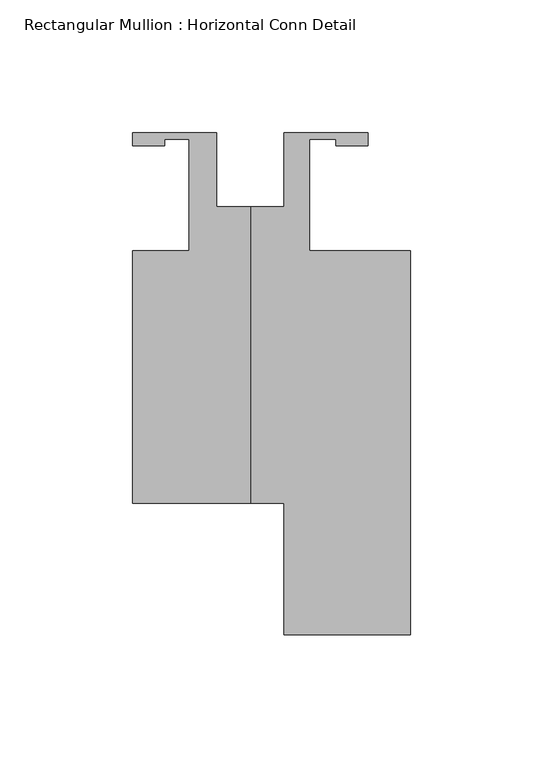
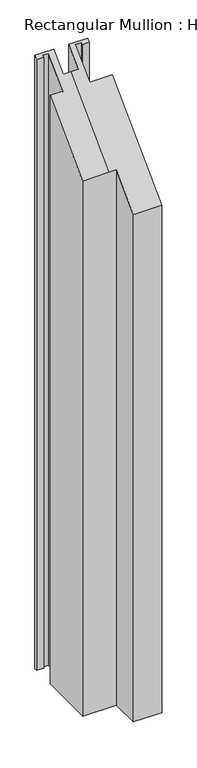
"""IFC4 building model written with IfcOpenShell, lengths in millimetres: member geometry, Rectangular Mullion : Horizontal Conn Detail."""

from ifc_helpers import new_model, si_unit, origin, place, context, project, spatial, faceted_brep, source, transform, mapped, element, save


def rectangular_mullion_horizontal_conn_detail_0b1a0013(model_context):
    return source(origin(), model_context, "Body", "Brep", [
        faceted_brep([(-44.45, -19.05, -1073.3369265), (-23.1902, -19.05, -1073.3369265), (-23.1902, 22.9299069, -1073.3369265), (-32.3676573, 22.9299069, -1073.3369265), (-32.3676573, 20.5232, -1073.3369265), (-44.45, 20.5232, -1073.3369265), (-44.45, 25.4, -1073.3369265), (-12.7, 25.4, -1073.3369265), (-12.7, -2.54, -1073.3369265), (12.7, -2.54, -1073.3369265), (12.7, 25.4, -1073.3369265), (44.45, 25.4, -1073.3369265), (44.45, 20.5232, -1073.3369265), (32.3596, 20.5232, -1073.3369265), (32.3596, 22.86, -1073.3369265), (22.225, 22.86, -1073.3369265), (22.225, -19.05, -1073.3369265), (60.325, -19.05, -1073.3369265), (60.325, -163.9062, -1073.3369265), (12.7, -163.9062, -1073.3369265), (12.7, -114.3, -1073.3369265), (-44.45, -114.3, -1073.3369265), (-44.45, -114.3, -117.475), (-44.45, -19.05, -22.225), (12.7, -114.3, -117.475), (0.0, -114.3, -117.475), (12.7, -163.9062, -167.0812), (60.325, -163.9062, -167.0812), (60.325, -19.05, -22.225), (22.225, -19.05, -22.225), (22.225, 22.86, 19.685), (32.3596, 22.86, 19.685), (32.3596, 20.5232, 17.3482), (44.45, 20.5232, 17.3482), (44.45, 25.4, 22.225), (12.7, 25.4, 22.225), (12.7, -2.54, -5.715), (-12.7, -2.54, -5.715), (0.0, -2.54, -5.715), (-12.7, 25.4, 22.225), (-44.45, 25.4, 22.225), (-44.45, 20.5232, 17.3482), (-32.3676573, 20.5232, 17.3482), (-32.3676573, 22.9299069, 19.7549069), (-23.1902, 22.9299069, 19.7549069), (-23.1902, -19.05, -22.225)], [[[0, 1, 2, 3, 4, 5, 6, 7, 8, 9, 10, 11, 12, 13, 14, 15, 16, 17, 18, 19, 20, 21]], [[22, 23, 0, 21]], [[24, 25, 22, 21, 20]], [[26, 24, 20, 19]], [[27, 26, 19, 18]], [[28, 27, 18, 17]], [[29, 28, 17, 16]], [[30, 29, 16, 15]], [[31, 30, 15, 14]], [[32, 31, 14, 13]], [[33, 32, 13, 12]], [[34, 33, 12, 11]], [[35, 34, 11, 10]], [[36, 35, 10, 9]], [[37, 38, 36, 9, 8]], [[39, 37, 8, 7]], [[40, 39, 7, 6]], [[41, 40, 6, 5]], [[42, 41, 5, 4]], [[43, 42, 4, 3]], [[44, 43, 3, 2]], [[45, 44, 2, 1]], [[23, 45, 1, 0]], [[23, 22, 25, 38, 37, 39, 40, 41, 42, 43, 44, 45]], [[25, 24, 26, 27, 28, 29, 30, 31, 32, 33, 34, 35, 36, 38]]]),
    ])


if __name__ == "__main__":
    model = new_model("IFC4")
    model_context = context("Model", 3, world=origin())
    ifc_project = project(units=[si_unit("LENGTHUNIT", "METRE", prefix="MILLI")], contexts=[model_context])
    site = spatial("IfcSite", under=ifc_project)
    building = spatial("IfcBuilding", under=site)
    placement = place(None, origin())
    rectangular_mullion_horizontal_conn_detail_shape = rectangular_mullion_horizontal_conn_detail_0b1a0013(model_context)
    element("IfcMember", 1, ObjectType="Rectangular Mullion : Horizontal Conn Detail", at=placement, inside=building, context=model_context, shape_type="MappedRepresentation", body=[
        mapped(rectangular_mullion_horizontal_conn_detail_shape, transform((0.0, 0.0, 0.0), x_axis=(1.0, 0.0, 0.0), y_axis=(0.0, 1.0, 0.0), z_axis=(0.0, 0.0, 1.0))),
    ])
    save(model, "model.ifc")
